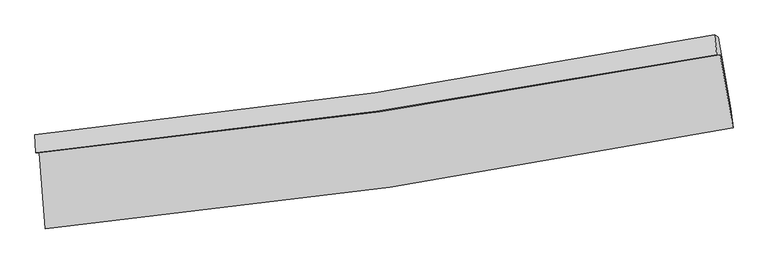
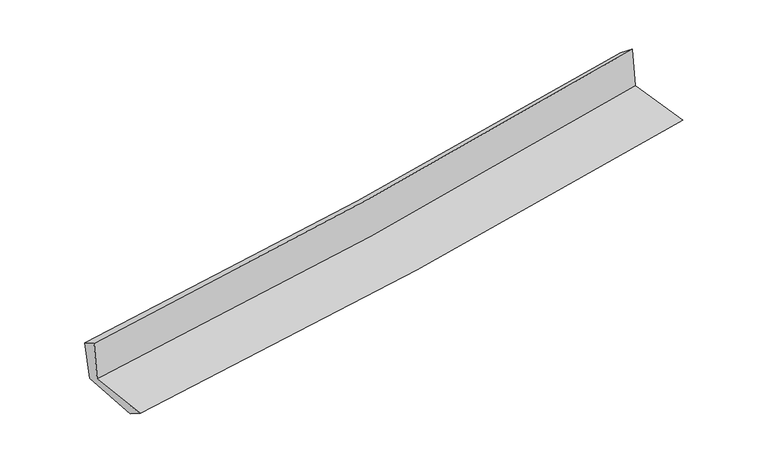
"""IFC4 building model written with IfcOpenShell, lengths in millimetres: proxy geometry."""

from ifc_helpers import new_model, si_unit, frame, origin, place, context, project, spatial, source, transform, mapped, element, save
from ifc_brep_helpers import plane_surface, spline_curve, spline_surface, advanced_brep


def generic_models_54305e35(model_context):
    return source(origin(), model_context, "Body", "AdvancedBrep", [
        advanced_brep(
        [(-3011.0212417, -1916.2744704, 1614.8219576), (-2955.5328508, -2583.6671974, 1628.0570835), (3081.4515229, -1698.5582476, 2137.1084967), (2968.2410811, -1056.2178523, 2161.0501066), (-3040.1909106, -1914.9923479, 2009.7264447), (2938.0250368, -1055.2667587, 2563.7075641), (-3046.9398091, -1758.6553695, 1921.706449), (2918.3065142, -882.7144182, 2426.8586479), (-3016.4820308, -1795.7230699, 1550.4381949), (2951.9903673, -902.5435997, 2021.6135604), (-2962.1399616, -2418.007202, 1527.3924011), (3062.7027599, -1532.6896563, 2002.8005557)],
        [
            (0, 1),
            (1, 2, spline_curve(3, [(-2955.5328508, -2583.6671974, 1628.0570835), (-1943.92398554, -2488.698372706, 1720.761341715), (-935.819631134, -2367.611309286, 1809.474267913), (1076.530508062, -2072.739064468, 1979.183145719), (2080.75427834, -1898.789811275, 2060.154023749), (3081.4515229, -1698.5582476, 2137.1084967)], [4, 2, 4], [0.0, 9.98468932565992, 20.00069090956067])),
            (2, 3),
            (3, 0, spline_curve(3, [(2968.2410811, -1056.2178523, 2161.0501066), (1976.789937129, -1245.900462279, 2068.723705426), (982.007223583, -1412.489259529, 1976.971126961), (-1011.101015582, -1699.030631896, 1794.898659398), (-2009.405742793, -1819.127373901, 1704.575188299), (-3011.0212417, -1916.2744704, 1614.8219576)], [4, 2, 4], [0.0, 10.016001583900751, 20.00069090956067])),
            (4, 0),
            (3, 5),
            (5, 4, spline_curve(3, [(2938.0250368, -1055.2667587, 2563.7075641), (1946.425944866, -1244.780616399, 2474.209024859), (951.656843895, -1411.257497649, 2383.220058341), (-1041.101594527, -1697.688881968, 2198.550380903), (-2039.071143012, -1817.787197092, 2104.87897455), (-3040.1909106, -1914.9923479, 2009.7264447)], [4, 2, 4], [0.0, 9.96825819862265, 19.90535339549136])),
            (6, 4),
            (5, 7),
            (7, 6, spline_curve(3, [(2918.3065142, -882.7144182, 2426.8586479), (1929.000708343, -1075.307904313, 2347.948342393), (936.460644378, -1244.67770355, 2266.327031908), (-1051.974987219, -1536.513042458, 2097.926041549), (-2047.850364402, -1659.123560346, 2011.163286003), (-3046.9398091, -1758.6553695, 1921.706449)], [4, 2, 4], [0.0, 9.955806430150671, 19.88048878555702])),
            (8, 6),
            (7, 9),
            (9, 8, spline_curve(3, [(2951.9903673, -902.5435997, 2021.6135604), (1963.730465649, -1105.306433351, 1942.949982256), (971.442853171, -1281.193990634, 1864.292117194), (-1018.07309012, -1578.75270729, 1707.233698001), (-2015.276276896, -1700.591639884, 1628.833107697), (-3016.4820308, -1795.7230699, 1550.4381949)], [4, 2, 4], [0.0, 9.946711370228666, 19.8623270989019])),
            (10, 8),
            (9, 11),
            (11, 10, spline_curve(3, [(3062.7027599, -1532.6896563, 2002.8005557), (2064.727943041, -1733.409507343, 1923.218241468), (1062.878230635, -1907.619959514, 1843.747890108), (-945.426866458, -2202.560318403, 1685.279203943), (-1951.858060901, -2323.455715114, 1606.280170843), (-2962.1399616, -2418.007202, 1527.3924011)], [4, 2, 4], [0.0, 9.994649484681645, 19.95805346255407])),
            (1, 10),
            (11, 2),
        ],
        [
            spline_surface(3, 3, [[(-3011.0212417, -1916.2744704, 1614.8219576), (-2009.405742628, -1819.127373852, 1704.575188415), (-1011.101015424, -1699.030631827, 1794.898659445), (982.007223425, -1412.489259598, 1976.971126914), (1976.789937127, -1245.900462244, 2068.723705574), (2968.2410811, -1056.2178523, 2161.0501066)], [(-2992.525111381, -2138.738712721, 1619.233666205), (-1987.578490271, -2042.317706815, 1709.97057286), (-986.007220687, -1921.890857613, 1799.757195643), (1013.514985048, -1632.572527898, 1977.708466468), (2011.444717572, -1463.530245318, 2065.867144966), (3005.977895028, -1270.331317411, 2153.06956998)], [(-2974.028981119, -2361.202955079, 1623.645374895), (-1965.75123797, -2265.508039817, 1715.365957391), (-960.913426026, -2144.751083434, 1804.615731849), (1045.022746594, -1852.655796233, 1978.44580603), (2046.099498034, -1681.160028361, 2063.010584319), (3043.714708972, -1484.444782489, 2145.08903332)], [(-2955.5328508, -2583.6671974, 1628.0570835), (-1943.923985613, -2488.69837278, 1720.761341836), (-935.819631289, -2367.61130922, 1809.474268047), (1076.530508217, -2072.739064534, 1979.183145584), (2080.75427848, -1898.789811436, 2060.154023712), (3081.4515229, -1698.5582476, 2137.1084967)]], [4, 4], [4, 2, 4], [0.0, 2.1977070468045126], [0.0, 9.98468932565992, 20.00069090956067]),
            spline_surface(3, 3, [[(-3040.1909106, -1914.9923479, 2009.7264447), (-2039.071142885, -1817.787197007, 2104.878974473), (-1041.101594548, -1697.688881851, 2198.550380943), (951.656843915, -1411.257497767, 2383.220058301), (1946.42594471, -1244.780616537, 2474.209025021), (2938.0250368, -1055.2667587, 2563.7075641)], [(-3030.467687642, -1915.419722064, 1878.091615664), (-2029.182676142, -1818.233922619, 1971.444379117), (-1031.101401515, -1698.136131858, 2063.999807111), (961.773637077, -1411.668085058, 2247.803747839), (1956.54727552, -1245.153898449, 2339.047251887), (2948.097051571, -1055.58378991, 2429.488411615)], [(-3020.744464658, -1915.847096236, 1746.456786636), (-2019.294209372, -1818.68064824, 1838.00978377), (-1021.101208457, -1698.583381821, 1929.449233277), (971.890430264, -1412.078672306, 2112.387437376), (1966.668606316, -1245.527180332, 2203.885478708), (2958.169066329, -1055.90082109, 2295.269259085)], [(-3011.0212417, -1916.2744704, 1614.8219576), (-2009.405742628, -1819.127373852, 1704.575188415), (-1011.101015424, -1699.030631827, 1794.898659445), (982.007223425, -1412.489259598, 1976.971126914), (1976.789937127, -1245.900462244, 2068.723705574), (2968.2410811, -1056.2178523, 2161.0501066)]], [4, 4], [4, 2, 4], [0.0, 1.3322807547551878], [0.0, 9.937095196868711, 19.90535339549136]),
            spline_surface(3, 3, [[(-3046.9398091, -1758.6553695, 1921.706449), (-2047.850364249, -1659.123560496, 2011.163285967), (-1051.974987189, -1536.513042619, 2097.926041626), (936.460644348, -1244.677703389, 2266.327031831), (1929.000708349, -1075.307904212, 2347.948342502), (2918.3065142, -882.7144182, 2426.8586479)], [(-3044.690176252, -1810.767695624, 1951.046447581), (-2044.923957113, -1712.011439323, 2042.401848817), (-1048.350522967, -1590.238322376, 2131.467488074), (941.526044213, -1300.204301529, 2305.291373997), (1934.809120465, -1131.798808327, 2390.035236676), (2924.879355062, -940.23186504, 2472.474953301)], [(-3042.440543448, -1862.880021776, 1980.386446119), (-2041.997550021, -1764.899318179, 2073.640411623), (-1044.72605877, -1643.963602093, 2165.008934495), (946.591444051, -1355.730899627, 2344.255716135), (1940.617532594, -1188.289712422, 2432.122130847), (2931.452195938, -997.74931186, 2518.091258699)], [(-3040.1909106, -1914.9923479, 2009.7264447), (-2039.071142885, -1817.787197007, 2104.878974473), (-1041.101594548, -1697.688881851, 2198.550380943), (951.656843915, -1411.257497767, 2383.220058301), (1946.42594471, -1244.780616537, 2474.209025021), (2938.0250368, -1055.2667587, 2563.7075641)]], [4, 4], [4, 2, 4], [0.0, 0.646773200796072], [0.0, 9.924682355406349, 19.88048878555702]),
            spline_surface(3, 3, [[(-3016.4820308, -1795.7230699, 1550.4381949), (-2015.276276783, -1700.5916399, 1628.83310767), (-1018.073090003, -1578.752707197, 1707.233697849), (971.442853053, -1281.193990727, 1864.292117346), (1963.73046563, -1105.306433318, 1942.949982343), (2951.9903673, -902.5435997, 2021.6135604)], [(-3026.634623593, -1783.367169786, 1674.194279597), (-2026.134305965, -1686.768946784, 1756.276500432), (-1029.373722398, -1564.672818994, 1837.464479081), (959.782116819, -1269.021894937, 1998.303755481), (1952.153879858, -1095.30692359, 2077.949435715), (2940.762416255, -895.933872507, 2156.695256219)], [(-3036.787216307, -1771.011269614, 1797.950364303), (-2036.992335067, -1672.946253611, 1883.719893205), (-1040.674354794, -1550.592930822, 1967.695260394), (948.121380583, -1256.849799179, 2132.315393697), (1940.577294121, -1085.307413941, 2212.94888913), (2929.534465245, -889.324145393, 2291.776952081)], [(-3046.9398091, -1758.6553695, 1921.706449), (-2047.850364249, -1659.123560496, 2011.163285967), (-1051.974987189, -1536.513042619, 2097.926041626), (936.460644348, -1244.677703389, 2266.327031831), (1929.000708349, -1075.307904212, 2347.948342502), (2918.3065142, -882.7144182, 2426.8586479)]], [4, 4], [4, 2, 4], [0.0, 1.3117390218518237], [0.0, 9.915615728673234, 19.8623270989019]),
            spline_surface(3, 3, [[(-2962.1399616, -2418.007202, 1527.3924011), (-1951.858060938, -2323.45571507, 1606.28017072), (-945.426866336, -2202.560318478, 1685.279204065), (1062.878230512, -1907.619959439, 1843.747889985), (2064.727943132, -1733.409507455, 1923.218241508), (3062.7027599, -1532.6896563, 2002.8005557)], [(-2980.253984669, -2210.579157947, 1535.074332363), (-1972.997466223, -2115.83435666, 1613.797816367), (-969.64227425, -1994.624448037, 1692.59736869), (1032.399771334, -1698.811303188, 1850.595965802), (2031.062117328, -1524.041816075, 1929.795488447), (3025.798629064, -1322.640970766, 2009.07155726)], [(-2998.368007731, -2003.151113953, 1542.756263637), (-1994.136871499, -1908.212998309, 1621.315462024), (-993.857682089, -1786.688577638, 1699.915533224), (1001.921312231, -1490.002646978, 1857.444041529), (1997.396291434, -1314.674124698, 1936.372735405), (2988.894498136, -1112.592285234, 2015.34255884)], [(-3016.4820308, -1795.7230699, 1550.4381949), (-2015.276276783, -1700.5916399, 1628.83310767), (-1018.073090003, -1578.752707197, 1707.233697849), (971.442853053, -1281.193990727, 1864.292117346), (1963.73046563, -1105.306433318, 1942.949982343), (2951.9903673, -902.5435997, 2021.6135604)]], [4, 4], [4, 2, 4], [0.0, 2.0696954042759965], [0.0, 9.963403977872424, 19.95805346255407]),
            spline_surface(3, 3, [[(-2955.5328508, -2583.6671974, 1628.0570835), (-1943.923985613, -2488.69837278, 1720.761341836), (-935.819631289, -2367.61130922, 1809.474268047), (1076.530508217, -2072.739064534, 1979.183145584), (2080.75427848, -1898.789811436, 2060.154023712), (3081.4515229, -1698.5582476, 2137.1084967)], [(-2957.735221062, -2528.447198959, 1594.50218939), (-1946.568677383, -2433.617486902, 1682.600951488), (-939.022042972, -2312.594312314, 1768.075913376), (1071.979748981, -2017.699362843, 1934.038060374), (2075.412166684, -1843.663043443, 2014.508762969), (3075.20193522, -1643.268717167, 2092.339183025)], [(-2959.937591338, -2473.227200441, 1560.94729521), (-1949.213369168, -2378.536600948, 1644.440561069), (-942.224454652, -2257.577315384, 1726.677558737), (1067.428989748, -1962.659661129, 1888.892975195), (2070.070054928, -1788.536275448, 1968.863502251), (3068.95234758, -1587.979186733, 2047.569869375)], [(-2962.1399616, -2418.007202, 1527.3924011), (-1951.858060938, -2323.45571507, 1606.28017072), (-945.426866336, -2202.560318478, 1685.279204065), (1062.878230512, -1907.619959439, 1843.747889985), (2064.727943132, -1733.409507455, 1923.218241508), (3062.7027599, -1532.6896563, 2002.8005557)]], [4, 4], [4, 2, 4], [0.0, 0.6901084652939783], [0.0, 10.020127058840332, 20.071677509619963]),
            plane_surface(frame((2986.7862137, -1187.9984222, 2218.8564886), z_axis=(0.9826330981806022, 0.1704525405716719, 0.07333570598728711), x_axis=(-0.08273574646105733, 0.04870529903862076, 0.9953806257422787))),
            plane_surface(frame((-3005.3844674, -2064.5532762, 1708.6904218), z_axis=(-0.993772188264201, -0.08407453447308556, -0.07313214399780309), x_axis=(-0.08283997885141096, 0.9963669595562756, -0.019759043713721128))),
        ],
        [
            (0, [[1, 2, 3, 4]]),
            (1, [[5, -4, 6, 7]]),
            (2, [[8, -7, 9, 10]]),
            (3, [[11, -10, 12, 13]]),
            (4, [[14, -13, 15, 16]]),
            (5, [[17, -16, 18, -2]]),
            (6, [[-12, -9, -6, -3, -18, -15]]),
            (7, [[-1, -5, -8, -11, -14, -17]]),
        ],
    ),
    ])


if __name__ == "__main__":
    model = new_model("IFC4")
    model_context = context("Model", 3, world=origin())
    ifc_project = project(units=[si_unit("LENGTHUNIT", "METRE", prefix="MILLI")], contexts=[model_context])
    site = spatial("IfcSite", under=ifc_project)
    building = spatial("IfcBuilding", under=site)
    placement = place(None, origin())
    generic_models_shape = generic_models_54305e35(model_context)
    element("IfcBuildingElementProxy", 1, Name="Generic Models", at=placement, inside=building, context=model_context, shape_type="MappedRepresentation", body=[
        mapped(generic_models_shape, transform((0.0, 0.0, 0.0), x_axis=(1.0, 0.0, 0.0), y_axis=(0.0, 1.0, 0.0), z_axis=(0.0, 0.0, 1.0))),
    ])
    save(model, "model.ifc")
